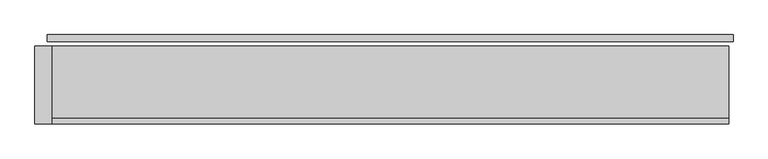
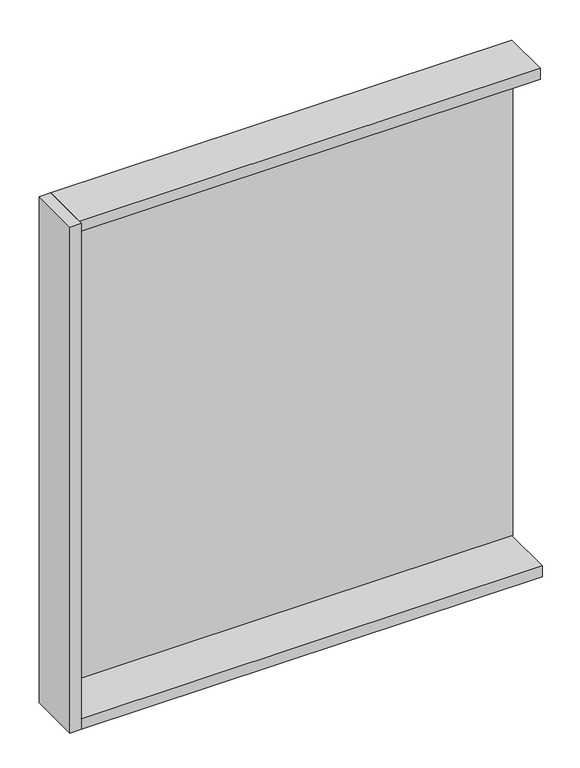
"""IFC4 building model written with IfcOpenShell, lengths in millimetres: plate geometry."""

from ifc_helpers import new_model, si_unit, frame, origin, origin_with_axes, place, context, project, spatial, polyline, outline, extrude, source, transform, mapped, element, save


def plate_2e21d754(model_context):
    return source(origin(), model_context, "Body", "SweptSolid", [
        extrude(outline(polyline([(1235.0, 0.0), (1235.0, -25.0), (-1235.0, -25.0), (-1235.0, 0.0), (1235.0, 0.0)])), origin_with_axes(), (0.0, 0.0, 1.0), 2742.0),
        extrude(outline(polyline([(-1220.0, -41.0), (-1220.0, -321.0), (-1280.0, -321.0), (-1280.0, -41.0), (-1220.0, -41.0)])), frame((0.0, 0.0, -45.0), z_axis=(0.0, 0.0, 1.0), x_axis=(1.0, 0.0, 0.0)), (0.0, 0.0, 1.0), 2832.0),
        extrude(outline(polyline([(1220.0, -321.0), (-1220.0, -321.0), (-1220.0, -41.0), (1220.0, -41.0), (1220.0, -321.0)])), frame((0.0, 0.0, -45.0), z_axis=(0.0, 0.0, 1.0), x_axis=(1.0, 0.0, 0.0)), (0.0, 0.0, 1.0), 60.0),
        extrude(outline(polyline([(1220.0, -41.0), (1220.0, -301.0), (-1220.0, -301.0), (-1220.0, -41.0), (1220.0, -41.0)])), frame((0.0, 0.0, 2727.0), z_axis=(0.0, 0.0, 1.0), x_axis=(1.0, 0.0, 0.0)), (0.0, 0.0, 1.0), 60.0),
    ])


if __name__ == "__main__":
    model = new_model("IFC4")
    model_context = context("Model", 3, world=origin())
    ifc_project = project(units=[si_unit("LENGTHUNIT", "METRE", prefix="MILLI")], contexts=[model_context])
    site = spatial("IfcSite", under=ifc_project)
    building = spatial("IfcBuilding", under=site)
    placement = place(None, origin())
    plate_shape = plate_2e21d754(model_context)
    element("IfcPlate", 1, at=placement, inside=building, context=model_context, shape_type="MappedRepresentation", body=[
        mapped(plate_shape, transform((0.0, 0.0, 0.0), x_axis=(1.0, 0.0, 0.0), y_axis=(0.0, 1.0, 0.0), z_axis=(0.0, 0.0, 1.0))),
    ])
    save(model, "model.ifc")
